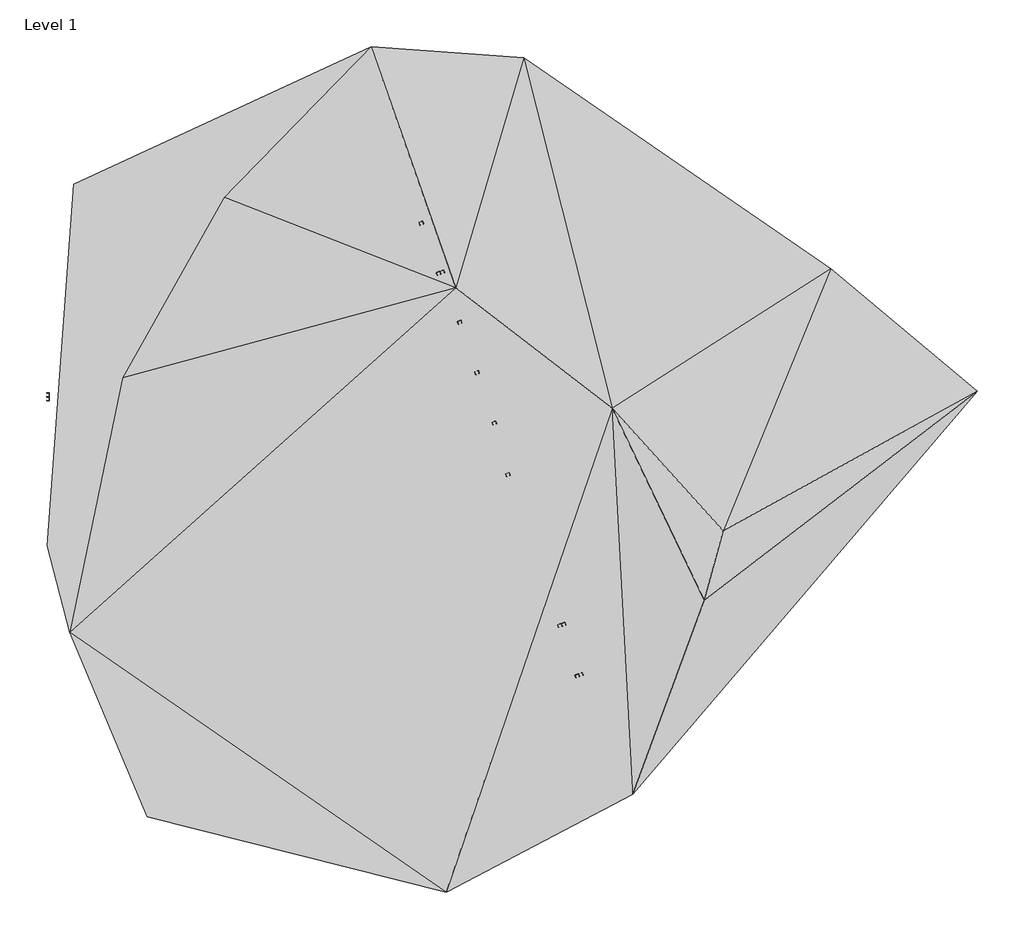
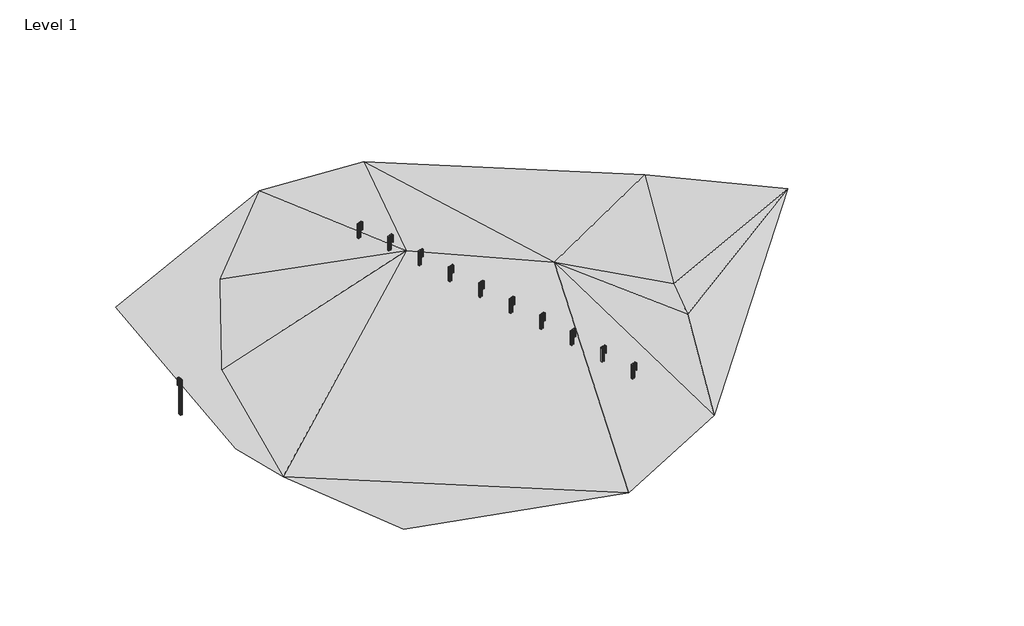
# One storey: 12 proxies.
"""IFC4 building model written with IfcOpenShell, lengths in millimetres."""

import ifcopenshell
import ifcopenshell.guid

model = None  # the IFC model being written
_history = None  # IfcOwnerHistory: only IFC2X3 demands one
_inside = {}  # id of a spatial element -> (the spatial element, [elements in it])
_under = {}  # id of a project, library or spatial element -> (it, [spatial elements below it])
_declared = {}  # id of a project -> (the project, [libraries it declares])
_typed = {}  # id of a type object -> (the type object, [elements of that type])
_made_of = {}  # id of a material, layer set ... -> (it, [elements and type objects made of it])


def new_model(schema):
    """Start an empty IFC model of exactly this schema.

    Asked for "IFC4X3", IfcOpenShell would pick the latest addendum, in which some entities
    have other attributes; the version numbers below select the first issue.
    IFC2X3 requires an IfcOwnerHistory on every rooted entity: one is made here for all.
    """
    global model, _history
    if schema == "IFC4X3":
        model = ifcopenshell.file(schema_version=(4, 3, 0, 0))
    else:
        model = ifcopenshell.file(schema=schema)
    _inside.clear()
    _under.clear()
    _declared.clear()
    _typed.clear()
    _made_of.clear()
    _history = None
    if model.schema == "IFC2X3":
        org = make("IfcOrganization", Name="unknown")
        user = make(
            "IfcPersonAndOrganization",
            ThePerson=make("IfcPerson", FamilyName="unknown"),
            TheOrganization=org,
        )
        app = make(
            "IfcApplication",
            ApplicationDeveloper=org,
            Version="unknown",
            ApplicationFullName="unknown",
            ApplicationIdentifier="unknown",
        )
        _history = make(
            "IfcOwnerHistory",
            OwningUser=user,
            OwningApplication=app,
            ChangeAction="ADDED",
            CreationDate=0,
        )
    return model


def make(cls, **values):
    """One entity of the class cls with the attributes given. An attribute that is None is left unset."""
    return model.create_entity(
        cls, **{name: value for name, value in values.items() if value is not None}
    )


def rooted(cls, **values):
    """An entity with a GlobalId (a new one), such as an element, a storey or a relation."""
    return make(cls, GlobalId=ifcopenshell.guid.new(), OwnerHistory=_history, **values)


def si_unit(unit_type, name, prefix=None):
    """IfcSIUnit, for example si_unit("LENGTHUNIT", "METRE", prefix="MILLI")."""
    return make("IfcSIUnit", UnitType=unit_type, Prefix=prefix, Name=name)


def assignment(units):
    """IfcUnitAssignment: the units of a project."""
    return None if units is None else make("IfcUnitAssignment", Units=units)


def point(xyz):
    """IfcCartesianPoint."""
    return None if xyz is None else make("IfcCartesianPoint", Coordinates=xyz)


def direction(xyz):
    """IfcDirection."""
    return None if xyz is None else make("IfcDirection", DirectionRatios=xyz)


def frame(location, z_axis=None, x_axis=None):
    """IfcAxis2Placement3D, a coordinate frame: its origin and axes. An axis left out is left unset."""
    return make(
        "IfcAxis2Placement3D",
        Location=point(location),
        Axis=direction(z_axis),
        RefDirection=direction(x_axis),
    )


def frame_2d(location, x_axis=None):
    """IfcAxis2Placement2D, a coordinate frame in the plane: its origin and x axis."""
    return make(
        "IfcAxis2Placement2D", Location=point(location), RefDirection=direction(x_axis)
    )


def origin():
    """The frame at (0, 0, 0) with its axes left unset."""
    return frame((0.0, 0.0, 0.0))


def place(relative_to, where):
    """IfcLocalPlacement: puts the frame where relative to a parent placement (None: the world)."""
    return make(
        "IfcLocalPlacement", PlacementRelTo=relative_to, RelativePlacement=where
    )


def context(
    kind, dimensions, precision=None, world=None, true_north=None, identifier=None
):
    """IfcGeometricRepresentationContext, for example the 3D "Model" context."""
    return make(
        "IfcGeometricRepresentationContext",
        ContextIdentifier=identifier,
        ContextType=kind,
        CoordinateSpaceDimension=dimensions,
        Precision=precision,
        WorldCoordinateSystem=world,
        TrueNorth=true_north,
    )


def project(units=None, contexts=None):
    """IfcProject with its units and contexts."""
    return rooted(
        "IfcProject",
        Name="project",
        RepresentationContexts=contexts,
        UnitsInContext=assignment(units),
    )


def spatial(cls, under=None, at=None, **own):
    """A site, building, storey or space (cls), placed at a placement, below another one or the project."""
    s = rooted(cls, ObjectPlacement=at, **own)
    if under is not None:
        _under.setdefault(under.id(), (under, []))[1].append(s)
    return s


def polyline(points):
    """IfcPolyline through the points."""
    return make("IfcPolyline", Points=[point(p) for p in points])


def point_list(points):
    """IfcCartesianPointList2D or 3D."""
    cls = (
        "IfcCartesianPointList2D" if len(points[0]) == 2 else "IfcCartesianPointList3D"
    )
    return make(cls, CoordList=points)


def circle_curve(where, radius):
    """IfcCircle in the frame where."""
    return make("IfcCircle", Position=where, Radius=radius)


def trimmed(basis, trim1, trim2, sense, master):
    """IfcTrimmedCurve: the piece of a basis curve between two trims."""
    return make(
        "IfcTrimmedCurve",
        BasisCurve=basis,
        Trim1=trim1,
        Trim2=trim2,
        SenseAgreement=sense,
        MasterRepresentation=master,
    )


def segment(curve, same_sense, transition):
    """IfcCompositeCurveSegment."""
    return make(
        "IfcCompositeCurveSegment",
        Transition=transition,
        SameSense=same_sense,
        ParentCurve=curve,
    )


def composite_curve(segments, self_intersect=None):
    """IfcCompositeCurve: segments joined end to end."""
    return make("IfcCompositeCurve", Segments=segments, SelfIntersect=self_intersect)


def outline(outer, holes=None, kind="AREA"):
    """IfcArbitraryClosedProfileDef: a profile drawn as a closed curve; with holes, ...WithVoids."""
    if holes is None:
        return make("IfcArbitraryClosedProfileDef", ProfileType=kind, OuterCurve=outer)
    return make(
        "IfcArbitraryProfileDefWithVoids",
        ProfileType=kind,
        OuterCurve=outer,
        InnerCurves=holes,
    )


def extrude(swept, where, along, depth):
    """IfcExtrudedAreaSolid: the profile swept, set in the frame where, extruded along a direction by depth."""
    return make(
        "IfcExtrudedAreaSolid",
        SweptArea=swept,
        Position=where,
        ExtrudedDirection=direction(along),
        Depth=depth,
    )


def triangles(points, corners, closed=None, point_numbers=None):
    """IfcTriangulatedFaceSet: each triangle names its three corners, points numbered from 1."""
    return make(
        "IfcTriangulatedFaceSet",
        Coordinates=point_list(points),
        Closed=closed,
        CoordIndex=corners,
        PnIndex=point_numbers,
    )


def shape(context_of_items, identifier, shape_type, items):
    """IfcShapeRepresentation: the items that make up one representation, for example the "Body"."""
    return make(
        "IfcShapeRepresentation",
        ContextOfItems=context_of_items,
        RepresentationIdentifier=identifier,
        RepresentationType=shape_type,
        Items=items,
    )


def source(mapping_origin, context_of_items, identifier, shape_type, items):
    """IfcRepresentationMap: a shape defined once, which mapped items show again and again."""
    return make(
        "IfcRepresentationMap",
        MappingOrigin=mapping_origin,
        MappedRepresentation=shape(context_of_items, identifier, shape_type, items),
    )


def transform(
    local_origin,
    x_axis=None,
    y_axis=None,
    z_axis=None,
    scale=None,
    scale2=None,
    scale3=None,
    uniform=True,
):
    """IfcCartesianTransformationOperator3D, or its non-uniform kind. x_axis, y_axis, z_axis: its Axis1, 2, 3."""
    if uniform:
        return make(
            "IfcCartesianTransformationOperator3D",
            Axis1=direction(x_axis),
            Axis2=direction(y_axis),
            LocalOrigin=point(local_origin),
            Scale=scale,
            Axis3=direction(z_axis),
        )
    return make(
        "IfcCartesianTransformationOperator3DnonUniform",
        Axis1=direction(x_axis),
        Axis2=direction(y_axis),
        LocalOrigin=point(local_origin),
        Scale=scale,
        Axis3=direction(z_axis),
        Scale2=scale2,
        Scale3=scale3,
    )


def mapped(mapping_source, mapping_target):
    """IfcMappedItem: shows the shape of a source again, moved by a transform."""
    return make(
        "IfcMappedItem", MappingSource=mapping_source, MappingTarget=mapping_target
    )


def made_of(thing, what):
    """Note that an element or type object is made of a material, layer set ...; save() writes the relation."""
    if what is not None:
        _made_of.setdefault(what.id(), (what, []))[1].append(thing)
    return thing


def element(
    cls,
    number,
    at=None,
    inside=None,
    cuts=None,
    type_object=None,
    material=None,
    context=None,
    identifier="Body",
    shape_type=None,
    held_by="IfcProductDefinitionShape",
    body=None,
    shapes=None,
    **own,
):
    """One element of the class cls, such as IfcWall. Its Tag is "e" and its number.

    at: its placement. inside: the storey or other place that contains it. cuts: it is an
    opening in that element (IfcRelVoidsElement). A single representation is given by context,
    identifier, shape_type and body (its items); several are given by shapes. held_by: the class
    of the entity that holds the representations. save() writes the other relations.
    """
    e = rooted(cls, Tag="e%d" % number, ObjectPlacement=at, **own)
    if body is not None:
        shapes = [shape(context, identifier, shape_type, body)]
    if shapes is not None:
        e.Representation = make(held_by, Representations=shapes)
    if inside is not None:
        _inside.setdefault(inside.id(), (inside, []))[1].append(e)
    if cuts is not None:
        rooted(
            "IfcRelVoidsElement", RelatingBuildingElement=cuts, RelatedOpeningElement=e
        )
    if type_object is not None:
        _typed.setdefault(type_object.id(), (type_object, []))[1].append(e)
    return made_of(e, material)


def aggregate(whole, parts):
    """IfcRelAggregates: a whole, such as a stair, and the parts it consists of."""
    return rooted("IfcRelAggregates", RelatingObject=whole, RelatedObjects=parts)


def save(model, path):
    """Write the relations noted so far, then the file.

    IfcRelAggregates (storeys below a building ...), IfcRelContainedInSpatialStructure (elements
    in a storey), IfcRelDefinesByType, IfcRelAssociatesMaterial and IfcRelDeclares: one each for
    every whole, place, type object, material and project.
    """
    for whole, parts in _under.values():
        aggregate(whole, parts)
    for where, things in _inside.values():
        rooted(
            "IfcRelContainedInSpatialStructure",
            RelatedElements=things,
            RelatingStructure=where,
        )
    for kind, things in _typed.values():
        rooted("IfcRelDefinesByType", RelatedObjects=things, RelatingType=kind)
    for what, things in _made_of.values():
        rooted("IfcRelAssociatesMaterial", RelatedObjects=things, RelatingMaterial=what)
    for by, libraries in _declared.values():
        rooted("IfcRelDeclares", RelatingContext=by, RelatedDefinitions=libraries)
    model.write(path)


def w_beam_post_w_beam_post_7fe25b68(model_context):
    return source(origin(), model_context, "Body", "SweptSolid", [
        extrude(outline(composite_curve([segment(polyline([(-55.0, -287.7), (-55.0, -162.2999999)]), True, "CONTINUOUS"), segment(trimmed(circle_curve(frame_2d((-42.7, -162.2999999)), 12.3), [point((-55.0, -162.2999999))], [point((-42.7, -150.0))], False, "CARTESIAN"), True, "CONTINUOUS"), segment(polyline([(-42.7, -150.0), (42.7, -150.0)]), True, "CONTINUOUS"), segment(trimmed(circle_curve(frame_2d((42.7, -162.2999999)), 12.3), [point((42.7, -150.0))], [point((55.0, -162.2999999))], False, "CARTESIAN"), True, "CONTINUOUS"), segment(polyline([(55.0, -162.2999999), (55.0, -167.9999999), (50.7, -167.9999999), (50.7, -162.2999999)]), True, "CONTINUOUS"), segment(trimmed(circle_curve(frame_2d((42.7, -162.2999999)), 8.0), [point((50.7, -162.2999999))], [point((42.7, -154.2999999))], True, "CARTESIAN"), True, "CONTINUOUS"), segment(polyline([(42.7, -154.2999999), (-42.6999999, -154.2999999)]), True, "CONTINUOUS"), segment(trimmed(circle_curve(frame_2d((-42.6999999, -162.3)), 8.0), [point((-42.6999999, -154.2999999))], [point((-50.7, -162.3))], True, "CARTESIAN"), True, "CONTINUOUS"), segment(polyline([(-50.7, -162.3), (-50.7, -287.6999999)]), True, "CONTINUOUS"), segment(trimmed(circle_curve(frame_2d((-42.7, -287.6999999)), 8.0), [point((-50.7, -287.6999999))], [point((-42.7, -295.6999999))], True, "CARTESIAN"), True, "CONTINUOUS"), segment(polyline([(-42.7, -295.6999999), (42.6999999, -295.6999999)]), True, "CONTINUOUS"), segment(trimmed(circle_curve(frame_2d((42.6999999, -287.6999999)), 8.0), [point((42.6999999, -295.6999999))], [point((50.7, -287.6999999))], True, "CARTESIAN"), True, "CONTINUOUS"), segment(polyline([(50.7, -287.6999999), (50.7, -281.9999999), (55.0, -281.9999999), (55.0, -287.6999999)]), True, "CONTINUOUS"), segment(trimmed(circle_curve(frame_2d((42.7, -287.6999999)), 12.3), [point((55.0, -287.6999999))], [point((42.7, -299.9999999))], False, "CARTESIAN"), True, "CONTINUOUS"), segment(polyline([(42.7, -299.9999999), (-42.7, -299.9999999)]), True, "CONTINUOUS"), segment(trimmed(circle_curve(frame_2d((-42.7, -287.7)), 12.3), [point((-42.7, -299.9999999))], [point((-55.0, -287.7))], False, "CARTESIAN"), True, "CONTINUOUS")], self_intersect=False)), frame((0.0, 0.0, -1256.0), z_axis=(0.0, 0.0, 1.0), x_axis=(1.0, 0.0, 0.0)), (0.0, 0.0, 1.0), 2100.0),
        extrude(outline(composite_curve([segment(trimmed(circle_curve(frame_2d((-42.7, -12.3)), 12.3), [point((-55.0, -12.3))], [point((-42.7, 1e-07))], False, "CARTESIAN"), True, "CONTINUOUS"), segment(polyline([(-42.7, 1e-07), (42.7, 0.0)]), True, "CONTINUOUS"), segment(trimmed(circle_curve(frame_2d((42.7, -12.3)), 12.3), [point((42.7, 0.0))], [point((54.9999999, -12.3))], False, "CARTESIAN"), True, "CONTINUOUS"), segment(polyline([(54.9999999, -12.3), (55.0, -18.0), (50.7, -18.0), (50.7, -12.3)]), True, "CONTINUOUS"), segment(trimmed(circle_curve(frame_2d((42.6999999, -12.3)), 8.0), [point((50.7, -12.3))], [point((42.6999999, -4.3))], True, "CARTESIAN"), True, "CONTINUOUS"), segment(polyline([(42.6999999, -4.3), (-42.7, -4.3)]), True, "CONTINUOUS"), segment(trimmed(circle_curve(frame_2d((-42.7, -12.3)), 8.0), [point((-42.7, -4.3))], [point((-50.6999999, -12.3))], True, "CARTESIAN"), True, "CONTINUOUS"), segment(polyline([(-50.6999999, -12.3), (-50.7, -137.6999999)]), True, "CONTINUOUS"), segment(trimmed(circle_curve(frame_2d((-42.6999999, -137.6999999)), 8.0), [point((-50.7, -137.6999999))], [point((-42.6999999, -145.7))], True, "CARTESIAN"), True, "CONTINUOUS"), segment(polyline([(-42.6999999, -145.7), (42.7, -145.7)]), True, "CONTINUOUS"), segment(trimmed(circle_curve(frame_2d((42.7, -137.7)), 8.0), [point((42.7, -145.7))], [point((50.6999999, -137.7))], True, "CARTESIAN"), True, "CONTINUOUS"), segment(polyline([(50.6999999, -137.7), (50.7, -132.0), (55.0, -132.0), (55.0, -137.7)]), True, "CONTINUOUS"), segment(trimmed(circle_curve(frame_2d((42.7, -137.7)), 12.3), [point((55.0, -137.7))], [point((42.7, -150.0))], False, "CARTESIAN"), True, "CONTINUOUS"), segment(polyline([(42.7, -150.0), (-42.7, -150.0)]), True, "CONTINUOUS"), segment(trimmed(circle_curve(frame_2d((-42.7, -137.7)), 12.3), [point((-42.7, -150.0))], [point((-54.9999999, -137.7))], False, "CARTESIAN"), True, "CONTINUOUS"), segment(polyline([(-54.9999999, -137.7), (-55.0, -12.3)]), True, "CONTINUOUS")], self_intersect=False)), frame((0.0, 0.0, 394.0), z_axis=(0.0, 0.0, 1.0), x_axis=(1.0, 0.0, 0.0)), (0.0, 0.0, 1.0), 450.0),
    ])


def w_beam_post_w_beam_post_d697f2bc(model_context):
    return source(origin(), model_context, "Body", "SweptSolid", [
        extrude(outline(composite_curve([segment(trimmed(circle_curve(frame_2d((-42.7, 287.7)), 12.3), [point((-55.0, 287.7))], [point((-42.7, 300.0))], False, "CARTESIAN"), True, "CONTINUOUS"), segment(polyline([(-42.7, 300.0), (42.7, 299.9999999)]), True, "CONTINUOUS"), segment(trimmed(circle_curve(frame_2d((42.7, 287.6999999)), 12.3), [point((42.7, 299.9999999))], [point((54.9999999, 287.6999999))], False, "CARTESIAN"), True, "CONTINUOUS"), segment(polyline([(54.9999999, 287.6999999), (55.0, 281.9999999), (50.7, 281.9999999), (50.7, 287.6999999)]), True, "CONTINUOUS"), segment(trimmed(circle_curve(frame_2d((42.6999999, 287.6999999)), 8.0), [point((50.7, 287.6999999))], [point((42.6999999, 295.6999999))], True, "CARTESIAN"), True, "CONTINUOUS"), segment(polyline([(42.6999999, 295.6999999), (-42.7, 295.6999999)]), True, "CONTINUOUS"), segment(trimmed(circle_curve(frame_2d((-42.7, 287.6999999)), 8.0), [point((-42.7, 295.6999999))], [point((-50.6999999, 287.6999999))], True, "CARTESIAN"), True, "CONTINUOUS"), segment(polyline([(-50.6999999, 287.6999999), (-50.7, 162.3)]), True, "CONTINUOUS"), segment(trimmed(circle_curve(frame_2d((-42.6999999, 162.3)), 8.0), [point((-50.7, 162.3))], [point((-42.6999999, 154.2999999))], True, "CARTESIAN"), True, "CONTINUOUS"), segment(polyline([(-42.6999999, 154.2999999), (42.7, 154.2999999)]), True, "CONTINUOUS"), segment(trimmed(circle_curve(frame_2d((42.7, 162.2999999)), 8.0), [point((42.7, 154.2999999))], [point((50.6999999, 162.2999999))], True, "CARTESIAN"), True, "CONTINUOUS"), segment(polyline([(50.6999999, 162.2999999), (50.7, 167.9999999), (55.0, 167.9999999), (55.0, 162.2999999)]), True, "CONTINUOUS"), segment(trimmed(circle_curve(frame_2d((42.7, 162.2999999)), 12.3), [point((55.0, 162.2999999))], [point((42.7, 150.0))], False, "CARTESIAN"), True, "CONTINUOUS"), segment(polyline([(42.7, 150.0), (-42.7, 150.0)]), True, "CONTINUOUS"), segment(trimmed(circle_curve(frame_2d((-42.7, 162.2999999)), 12.3), [point((-42.7, 150.0))], [point((-54.9999999, 162.2999999))], False, "CARTESIAN"), True, "CONTINUOUS"), segment(polyline([(-54.9999999, 162.2999999), (-55.0, 287.7)]), True, "CONTINUOUS")], self_intersect=False)), frame((0.0, 0.0, -1256.0), z_axis=(0.0, 0.0, 1.0), x_axis=(1.0, 0.0, 0.0)), (0.0, 0.0, 1.0), 2100.0),
        extrude(outline(composite_curve([segment(polyline([(-55.0, 12.3), (-55.0, 137.7)]), True, "CONTINUOUS"), segment(trimmed(circle_curve(frame_2d((-42.7, 137.7)), 12.3), [point((-55.0, 137.7))], [point((-42.7, 150.0))], False, "CARTESIAN"), True, "CONTINUOUS"), segment(polyline([(-42.7, 150.0), (42.7, 149.9999999)]), True, "CONTINUOUS"), segment(trimmed(circle_curve(frame_2d((42.7, 137.7)), 12.3), [point((42.7, 149.9999999))], [point((55.0, 137.7))], False, "CARTESIAN"), True, "CONTINUOUS"), segment(polyline([(55.0, 137.7), (55.0, 132.0), (50.7, 132.0), (50.7, 137.7)]), True, "CONTINUOUS"), segment(trimmed(circle_curve(frame_2d((42.7, 137.7)), 8.0), [point((50.7, 137.7))], [point((42.7, 145.7))], True, "CARTESIAN"), True, "CONTINUOUS"), segment(polyline([(42.7, 145.7), (-42.6999999, 145.7)]), True, "CONTINUOUS"), segment(trimmed(circle_curve(frame_2d((-42.6999999, 137.6999999)), 8.0), [point((-42.6999999, 145.7))], [point((-50.7, 137.6999999))], True, "CARTESIAN"), True, "CONTINUOUS"), segment(polyline([(-50.7, 137.6999999), (-50.7, 12.3)]), True, "CONTINUOUS"), segment(trimmed(circle_curve(frame_2d((-42.7, 12.3)), 8.0), [point((-50.7, 12.3))], [point((-42.7, 4.3))], True, "CARTESIAN"), True, "CONTINUOUS"), segment(polyline([(-42.7, 4.3), (42.6999999, 4.3)]), True, "CONTINUOUS"), segment(trimmed(circle_curve(frame_2d((42.6999999, 12.3)), 8.0), [point((42.6999999, 4.3))], [point((50.7, 12.3))], True, "CARTESIAN"), True, "CONTINUOUS"), segment(polyline([(50.7, 12.3), (50.7, 18.0), (55.0, 18.0), (55.0, 12.3)]), True, "CONTINUOUS"), segment(trimmed(circle_curve(frame_2d((42.7, 12.3)), 12.3), [point((55.0, 12.3))], [point((42.7, 0.0))], False, "CARTESIAN"), True, "CONTINUOUS"), segment(polyline([(42.7, 0.0), (-42.7, 0.0)]), True, "CONTINUOUS"), segment(trimmed(circle_curve(frame_2d((-42.7, 12.3)), 12.3), [point((-42.7, 0.0))], [point((-55.0, 12.3))], False, "CARTESIAN"), True, "CONTINUOUS")], self_intersect=False)), frame((0.0, 0.0, 394.0), z_axis=(0.0, 0.0, 1.0), x_axis=(1.0, 0.0, 0.0)), (0.0, 0.0, 1.0), 450.0),
    ])


model = new_model("IFC4")

# Units and contexts
model_context = context("Model", 3, world=origin())
ifc_project = project(units=[si_unit("LENGTHUNIT", "METRE", prefix="MILLI")], contexts=[model_context])

# Site, building, storey
site = spatial("IfcSite", under=ifc_project)
building = spatial("IfcBuilding", under=site)
storey = spatial("IfcBuildingStorey", under=building, Name="Level 1", Elevation=0.0)

# Proxies
placement = place(None, origin())
element("IfcBuildingElementProxy", 1, Name="Building Element Proxy", at=placement, inside=storey, context=model_context, shape_type="Tessellation", body=[
    triangles([(-14951.7478271, 10355.267926, 0.0), (-9293.5647079, 9860.1772156, 0.0), (-594.1081767, 6465.2675766, 750.0000057), (5276.2570129, 1938.7209068, 750.0000057), (8741.8943115, -5275.4628754, 750.0000057), (6054.2571991, -12560.3740265, 0.0), (-947.7446217, -16238.1925598, 0.0), (-12193.3836365, -13409.1012909, 0.0), (-15093.2031464, -6477.8266937, 0.0), (9449.1668381, -2658.5528412, 750.0000057), (18997.3508881, 2575.2663551, 0.0), (13480.6225067, 7172.5401031, 0.0), (1952.0743069, 15093.9972839, 0.0), (-3776.8363266, 15518.3609161, 0.0), (-13112.8379791, 3070.3573563, 0.0), (-15941.9304108, -3224.3712112, 0.0)], [[15, 16, 9], [8, 7, 9], [3, 15, 9], [1, 15, 2], [15, 1, 16], [2, 14, 1], [3, 2, 15], [2, 3, 14], [7, 4, 9], [4, 6, 5], [4, 3, 9], [5, 10, 4], [10, 5, 11], [6, 11, 5], [4, 10, 12], [3, 13, 14], [3, 4, 13], [13, 4, 12], [10, 11, 12], [4, 7, 6]], closed=False),
])
w_beam_post_w_beam_post_shape = w_beam_post_w_beam_post_7fe25b68(model_context)
element("IfcBuildingElementProxy", 2, Name="W_BEAM POST : W_BEAM POST", ObjectType="W_BEAM POST : W_BEAM POST", at=placement, inside=storey, context=model_context, shape_type="MappedRepresentation", body=[
    mapped(w_beam_post_w_beam_post_shape, transform((4175.6702562, -8044.1275859, 276.8517392), x_axis=(0.3250557408415413, -0.9456948584749505, 0.0), y_axis=(0.9456948584749505, 0.3250557408415413, 0.0), z_axis=(0.0, 0.0, 1.0))),
])
element("IfcBuildingElementProxy", 3, Name="W_BEAM POST : W_BEAM POST", ObjectType="W_BEAM POST : W_BEAM POST", at=placement, inside=storey, context=model_context, shape_type="MappedRepresentation", body=[
    mapped(w_beam_post_w_beam_post_shape, transform((3525.5587745, -6156.0667491, 389.0183024), x_axis=(0.3250557408415413, -0.9456948584749505, 0.0), y_axis=(0.9456948584749505, 0.3250557408415413, 0.0), z_axis=(0.0, 0.0, 1.0))),
])
element("IfcBuildingElementProxy", 4, Name="W_BEAM POST : W_BEAM POST", ObjectType="W_BEAM POST : W_BEAM POST", at=placement, inside=storey, context=model_context, shape_type="MappedRepresentation", body=[
    mapped(w_beam_post_w_beam_post_shape, transform((2875.2695348, -4267.4896655, 487.5708997), x_axis=(0.32547396449345917, -0.9455510025571918, 0.0), y_axis=(0.9455510025571918, 0.32547396449345917, 0.0), z_axis=(0.0, 0.0, 1.0))),
])
element("IfcBuildingElementProxy", 5, Name="W_BEAM POST : W_BEAM POST", ObjectType="W_BEAM POST : W_BEAM POST", at=placement, inside=storey, context=model_context, shape_type="MappedRepresentation", body=[
    mapped(w_beam_post_w_beam_post_shape, transform((2224.3216058, -2376.9996093, 535.6764222), x_axis=(0.32547396449345917, -0.9455510025571918, 0.0), y_axis=(0.9455510025571918, 0.32547396449345917, 0.0), z_axis=(0.0, 0.0, 1.0))),
])
element("IfcBuildingElementProxy", 6, Name="W_BEAM POST : W_BEAM POST", ObjectType="W_BEAM POST : W_BEAM POST", at=placement, inside=storey, context=model_context, shape_type="MappedRepresentation", body=[
    mapped(w_beam_post_w_beam_post_shape, transform((1573.3736768, -486.5095531, 583.7819447), x_axis=(0.32547396449345917, -0.9455510025571918, 0.0), y_axis=(0.9455510025571918, 0.32547396449345917, 0.0), z_axis=(0.0, 0.0, 1.0))),
])
element("IfcBuildingElementProxy", 7, Name="W_BEAM POST : W_BEAM POST", ObjectType="W_BEAM POST : W_BEAM POST", at=placement, inside=storey, context=model_context, shape_type="MappedRepresentation", body=[
    mapped(w_beam_post_w_beam_post_shape, transform((922.4042897, 1404.0428222, 628.9999276), x_axis=(0.3254922909741206, -0.9455446940871799, 0.0), y_axis=(0.9455446940871799, 0.3254922909741206, 0.0), z_axis=(0.0, 0.0, 1.0))),
])
element("IfcBuildingElementProxy", 8, Name="W_BEAM POST : W_BEAM POST", ObjectType="W_BEAM POST : W_BEAM POST", at=placement, inside=storey, context=model_context, shape_type="MappedRepresentation", body=[
    mapped(w_beam_post_w_beam_post_shape, transform((271.4197077, 3294.6393263, 672.1732153), x_axis=(0.3254922909741206, -0.9455446940871799, 0.0), y_axis=(0.9455446940871799, 0.3254922909741206, 0.0), z_axis=(0.0, 0.0, 1.0))),
])
element("IfcBuildingElementProxy", 9, Name="W_BEAM POST : W_BEAM POST", ObjectType="W_BEAM POST : W_BEAM POST", at=placement, inside=storey, context=model_context, shape_type="MappedRepresentation", body=[
    mapped(w_beam_post_w_beam_post_shape, transform((-379.5648742, 5185.2358304, 715.3465031), x_axis=(0.3254922909741206, -0.9455446940871799, 0.0), y_axis=(0.9455446940871799, 0.3254922909741206, 0.0), z_axis=(0.0, 0.0, 1.0))),
])
element("IfcBuildingElementProxy", 10, Name="W_BEAM POST : W_BEAM POST", ObjectType="W_BEAM POST : W_BEAM POST", at=placement, inside=storey, context=model_context, shape_type="MappedRepresentation", body=[
    mapped(w_beam_post_w_beam_post_shape, transform((-1029.9635574, 7074.1307609, 685.7073094), x_axis=(0.32458468895319065, -0.9458566380256368, 0.0), y_axis=(0.9458566380256368, 0.32458468895319065, 0.0), z_axis=(0.0, 0.0, 1.0))),
])
element("IfcBuildingElementProxy", 11, Name="W_BEAM POST : W_BEAM POST", ObjectType="W_BEAM POST : W_BEAM POST", at=placement, inside=storey, context=model_context, shape_type="MappedRepresentation", body=[
    mapped(w_beam_post_w_beam_post_shape, transform((-1679.1329353, 8959.4555296, 530.3701437), x_axis=(0.32458468895319065, -0.9458566380256368, 0.0), y_axis=(0.9458566380256368, 0.32458468895319065, 0.0), z_axis=(0.0, 0.0, 1.0))),
])
w_beam_post_w_beam_post_2_shape = w_beam_post_w_beam_post_d697f2bc(model_context)
element("IfcBuildingElementProxy", 12, Name="W_BEAM POST : W_BEAM POST", ObjectType="W_BEAM POST : W_BEAM POST", at=placement, inside=storey, context=model_context, shape_type="MappedRepresentation", body=[
    mapped(w_beam_post_w_beam_post_2_shape, transform((-15911.6194331, 2508.4336145, 0.0), x_axis=(-1.0, 0.0, 0.0), y_axis=(0.0, -1.0, 0.0), z_axis=(0.0, 0.0, 1.0))),
])

save(model, "model.ifc")
